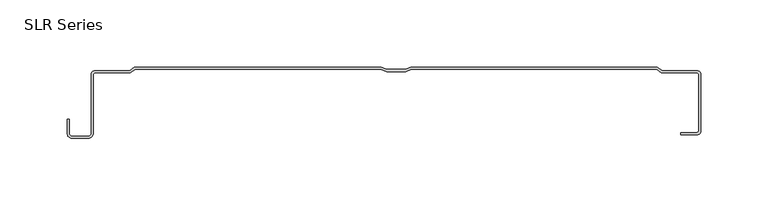
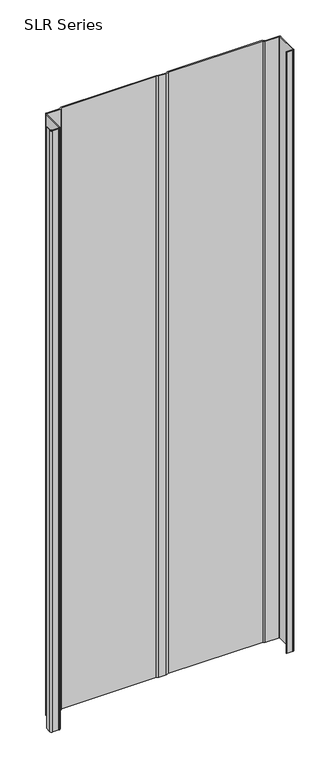
"""IFC4 building model written with IfcOpenShell, lengths in millimetres: plate geometry, SLR Series."""

from ifc_helpers import new_model, si_unit, point, frame_2d, origin, origin_with_axes, place, context, project, spatial, polyline, circle_curve, trimmed, segment, composite_curve, outline, extrude, source, transform, mapped, element, save


def slr_series_0090de9a(model_context):
    return source(origin(), model_context, "Body", "SweptSolid", [
        extrude(outline(composite_curve([segment(polyline([(13.8445989, -1.5875), (9.7222897, -3.2364237), (-4.6611569, -3.2364237), (-8.783466, -1.5875), (-191.8345649, -1.5875), (-195.4142705, -4.2722792), (-221.8338237, -4.2722792)]), True, "CONTINUOUS"), segment(trimmed(circle_curve(frame_2d((-221.8338237, -5.3846124)), 1.1123332), [point((-221.8338237, -4.2722792))], [point((-222.9461569, -5.3846124))], True, "CARTESIAN"), True, "CONTINUOUS"), segment(polyline([(-222.9461569, -5.3846124), (-222.9461569, -49.322367)]), True, "CONTINUOUS"), segment(trimmed(circle_curve(frame_2d((-226.4785174, -49.322367)), 3.5323605), [point((-222.9461569, -49.322367))], [point((-226.4785174, -52.8547275))], False, "CARTESIAN"), True, "CONTINUOUS"), segment(polyline([(-226.4785174, -52.8547275), (-238.8643673, -52.8547275)]), True, "CONTINUOUS"), segment(trimmed(circle_curve(frame_2d((-238.8643673, -49.322367)), 3.5323605), [point((-238.8643673, -52.8547275))], [point((-242.3967278, -49.322367))], False, "CARTESIAN"), True, "CONTINUOUS"), segment(polyline([(-242.3967278, -49.322367), (-242.3967278, -38.9158598), (-240.8437101, -38.9158598), (-240.8437101, -49.322367)]), True, "CONTINUOUS"), segment(trimmed(circle_curve(frame_2d((-238.8643673, -49.322367)), 1.9793427), [point((-240.8437101, -49.322367))], [point((-238.8643673, -51.3017098))], True, "CARTESIAN"), True, "CONTINUOUS"), segment(polyline([(-238.8643673, -51.3017098), (-226.4785174, -51.3017098)]), True, "CONTINUOUS"), segment(trimmed(circle_curve(frame_2d((-226.4785174, -49.322367)), 1.9793427), [point((-226.4785174, -51.3017098))], [point((-224.4991747, -49.322367))], True, "CARTESIAN"), True, "CONTINUOUS"), segment(polyline([(-224.4991747, -49.322367), (-224.4991747, -5.4093769)]), True, "CONTINUOUS"), segment(trimmed(circle_curve(frame_2d((-221.7739185, -5.4093769)), 2.7252562), [point((-224.4991747, -5.4093769))], [point((-221.8338237, -2.6847792))], False, "CARTESIAN"), True, "CONTINUOUS"), segment(polyline([(-221.8338237, -2.6847792), (-195.9434372, -2.6847792), (-192.3637316, 0.0), (-8.4777414, 0.0), (-4.3554323, -1.6489237), (9.4165652, -1.6489237), (13.5388743, 0.0), (196.899272, 0.0), (200.4789776, -2.6847792), (226.5762297, -2.6847792)]), True, "CONTINUOUS"), segment(trimmed(circle_curve(frame_2d((226.6272458, -5.4070553)), 2.722754), [point((226.5762297, -2.6847792))], [point((229.3499998, -5.4070553))], False, "CARTESIAN"), True, "CONTINUOUS"), segment(polyline([(229.3499998, -5.4070553), (229.3499998, -47.5057747)]), True, "CONTINUOUS"), segment(trimmed(circle_curve(frame_2d((226.5762297, -47.5057747)), 2.7737702), [point((229.3499998, -47.5057747))], [point((226.5762297, -50.2795449))], False, "CARTESIAN"), True, "CONTINUOUS"), segment(polyline([(226.5762297, -50.2795449), (214.496908, -50.2795449), (214.496908, -48.6618105), (226.5762297, -48.6618105)]), True, "CONTINUOUS"), segment(trimmed(circle_curve(frame_2d((226.5762297, -47.5057747)), 1.1560358), [point((226.5762297, -48.6618105))], [point((227.7322655, -47.5057747))], True, "CARTESIAN"), True, "CONTINUOUS"), segment(polyline([(227.7322655, -47.5057747), (227.7322655, -5.428315)]), True, "CONTINUOUS"), segment(trimmed(circle_curve(frame_2d((226.5762297, -5.428315)), 1.1560358), [point((227.7322655, -5.428315))], [point((226.5762297, -4.2722792))], True, "CARTESIAN"), True, "CONTINUOUS"), segment(polyline([(226.5762297, -4.2722792), (199.9498109, -4.2722792), (196.3701053, -1.5875), (13.8445989, -1.5875)]), True, "CONTINUOUS")], self_intersect=False)), origin_with_axes(), (0.0, 0.0, 1.0), 1228.3559792),
    ])


if __name__ == "__main__":
    model = new_model("IFC4")
    model_context = context("Model", 3, world=origin())
    ifc_project = project(units=[si_unit("LENGTHUNIT", "METRE", prefix="MILLI")], contexts=[model_context])
    site = spatial("IfcSite", under=ifc_project)
    building = spatial("IfcBuilding", under=site)
    placement = place(None, origin())
    slr_series_shape = slr_series_0090de9a(model_context)
    element("IfcPlate", 1, ObjectType="SLR Series", at=placement, inside=building, context=model_context, shape_type="MappedRepresentation", body=[
        mapped(slr_series_shape, transform((0.0, 0.0, 0.0), x_axis=(1.0, 0.0, 0.0), y_axis=(0.0, 1.0, 0.0), z_axis=(0.0, 0.0, 1.0))),
    ])
    save(model, "model.ifc")
